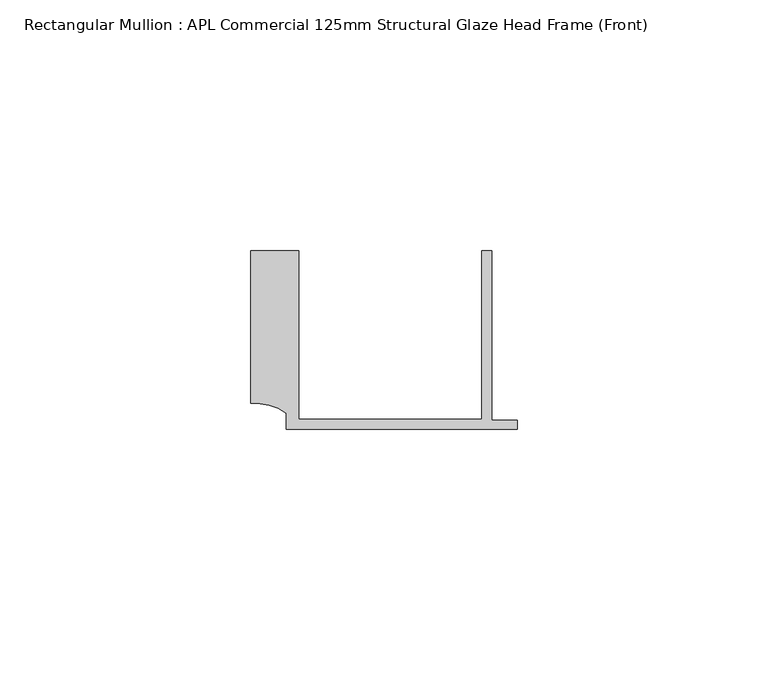
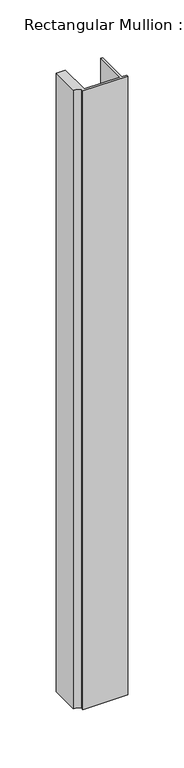
"""IFC4 building model written with IfcOpenShell, lengths in millimetres: member geometry, Rectangular Mullion : APL Commercial 125mm Structural Glaze Head Frame (Front)."""

import ifcopenshell
import ifcopenshell.guid

model = None  # the IFC model being written
_history = None  # IfcOwnerHistory: only IFC2X3 demands one
_inside = {}  # id of a spatial element -> (the spatial element, [elements in it])
_under = {}  # id of a project, library or spatial element -> (it, [spatial elements below it])
_declared = {}  # id of a project -> (the project, [libraries it declares])
_typed = {}  # id of a type object -> (the type object, [elements of that type])
_made_of = {}  # id of a material, layer set ... -> (it, [elements and type objects made of it])


def new_model(schema):
    """Start an empty IFC model of exactly this schema.

    Asked for "IFC4X3", IfcOpenShell would pick the latest addendum, in which some entities
    have other attributes; the version numbers below select the first issue.
    IFC2X3 requires an IfcOwnerHistory on every rooted entity: one is made here for all.
    """
    global model, _history
    if schema == "IFC4X3":
        model = ifcopenshell.file(schema_version=(4, 3, 0, 0))
    else:
        model = ifcopenshell.file(schema=schema)
    _inside.clear()
    _under.clear()
    _declared.clear()
    _typed.clear()
    _made_of.clear()
    _history = None
    if model.schema == "IFC2X3":
        org = make("IfcOrganization", Name="unknown")
        user = make(
            "IfcPersonAndOrganization",
            ThePerson=make("IfcPerson", FamilyName="unknown"),
            TheOrganization=org,
        )
        app = make(
            "IfcApplication",
            ApplicationDeveloper=org,
            Version="unknown",
            ApplicationFullName="unknown",
            ApplicationIdentifier="unknown",
        )
        _history = make(
            "IfcOwnerHistory",
            OwningUser=user,
            OwningApplication=app,
            ChangeAction="ADDED",
            CreationDate=0,
        )
    return model


def make(cls, **values):
    """One entity of the class cls with the attributes given. An attribute that is None is left unset."""
    return model.create_entity(
        cls, **{name: value for name, value in values.items() if value is not None}
    )


def rooted(cls, **values):
    """An entity with a GlobalId (a new one), such as an element, a storey or a relation."""
    return make(cls, GlobalId=ifcopenshell.guid.new(), OwnerHistory=_history, **values)


def si_unit(unit_type, name, prefix=None):
    """IfcSIUnit, for example si_unit("LENGTHUNIT", "METRE", prefix="MILLI")."""
    return make("IfcSIUnit", UnitType=unit_type, Prefix=prefix, Name=name)


def assignment(units):
    """IfcUnitAssignment: the units of a project."""
    return None if units is None else make("IfcUnitAssignment", Units=units)


def point(xyz):
    """IfcCartesianPoint."""
    return None if xyz is None else make("IfcCartesianPoint", Coordinates=xyz)


def direction(xyz):
    """IfcDirection."""
    return None if xyz is None else make("IfcDirection", DirectionRatios=xyz)


def frame(location, z_axis=None, x_axis=None):
    """IfcAxis2Placement3D, a coordinate frame: its origin and axes. An axis left out is left unset."""
    return make(
        "IfcAxis2Placement3D",
        Location=point(location),
        Axis=direction(z_axis),
        RefDirection=direction(x_axis),
    )


def frame_2d(location, x_axis=None):
    """IfcAxis2Placement2D, a coordinate frame in the plane: its origin and x axis."""
    return make(
        "IfcAxis2Placement2D", Location=point(location), RefDirection=direction(x_axis)
    )


def origin():
    """The frame at (0, 0, 0) with its axes left unset."""
    return frame((0.0, 0.0, 0.0))


def place(relative_to, where):
    """IfcLocalPlacement: puts the frame where relative to a parent placement (None: the world)."""
    return make(
        "IfcLocalPlacement", PlacementRelTo=relative_to, RelativePlacement=where
    )


def context(
    kind, dimensions, precision=None, world=None, true_north=None, identifier=None
):
    """IfcGeometricRepresentationContext, for example the 3D "Model" context."""
    return make(
        "IfcGeometricRepresentationContext",
        ContextIdentifier=identifier,
        ContextType=kind,
        CoordinateSpaceDimension=dimensions,
        Precision=precision,
        WorldCoordinateSystem=world,
        TrueNorth=true_north,
    )


def project(units=None, contexts=None):
    """IfcProject with its units and contexts."""
    return rooted(
        "IfcProject",
        Name="project",
        RepresentationContexts=contexts,
        UnitsInContext=assignment(units),
    )


def spatial(cls, under=None, at=None, **own):
    """A site, building, storey or space (cls), placed at a placement, below another one or the project."""
    s = rooted(cls, ObjectPlacement=at, **own)
    if under is not None:
        _under.setdefault(under.id(), (under, []))[1].append(s)
    return s


def polyline(points):
    """IfcPolyline through the points."""
    return make("IfcPolyline", Points=[point(p) for p in points])


def circle_curve(where, radius):
    """IfcCircle in the frame where."""
    return make("IfcCircle", Position=where, Radius=radius)


def trimmed(basis, trim1, trim2, sense, master):
    """IfcTrimmedCurve: the piece of a basis curve between two trims."""
    return make(
        "IfcTrimmedCurve",
        BasisCurve=basis,
        Trim1=trim1,
        Trim2=trim2,
        SenseAgreement=sense,
        MasterRepresentation=master,
    )


def segment(curve, same_sense, transition):
    """IfcCompositeCurveSegment."""
    return make(
        "IfcCompositeCurveSegment",
        Transition=transition,
        SameSense=same_sense,
        ParentCurve=curve,
    )


def composite_curve(segments, self_intersect=None):
    """IfcCompositeCurve: segments joined end to end."""
    return make("IfcCompositeCurve", Segments=segments, SelfIntersect=self_intersect)


def outline(outer, holes=None, kind="AREA"):
    """IfcArbitraryClosedProfileDef: a profile drawn as a closed curve; with holes, ...WithVoids."""
    if holes is None:
        return make("IfcArbitraryClosedProfileDef", ProfileType=kind, OuterCurve=outer)
    return make(
        "IfcArbitraryProfileDefWithVoids",
        ProfileType=kind,
        OuterCurve=outer,
        InnerCurves=holes,
    )


def extrude(swept, where, along, depth):
    """IfcExtrudedAreaSolid: the profile swept, set in the frame where, extruded along a direction by depth."""
    return make(
        "IfcExtrudedAreaSolid",
        SweptArea=swept,
        Position=where,
        ExtrudedDirection=direction(along),
        Depth=depth,
    )


def shape(context_of_items, identifier, shape_type, items):
    """IfcShapeRepresentation: the items that make up one representation, for example the "Body"."""
    return make(
        "IfcShapeRepresentation",
        ContextOfItems=context_of_items,
        RepresentationIdentifier=identifier,
        RepresentationType=shape_type,
        Items=items,
    )


def source(mapping_origin, context_of_items, identifier, shape_type, items):
    """IfcRepresentationMap: a shape defined once, which mapped items show again and again."""
    return make(
        "IfcRepresentationMap",
        MappingOrigin=mapping_origin,
        MappedRepresentation=shape(context_of_items, identifier, shape_type, items),
    )


def transform(
    local_origin,
    x_axis=None,
    y_axis=None,
    z_axis=None,
    scale=None,
    scale2=None,
    scale3=None,
    uniform=True,
):
    """IfcCartesianTransformationOperator3D, or its non-uniform kind. x_axis, y_axis, z_axis: its Axis1, 2, 3."""
    if uniform:
        return make(
            "IfcCartesianTransformationOperator3D",
            Axis1=direction(x_axis),
            Axis2=direction(y_axis),
            LocalOrigin=point(local_origin),
            Scale=scale,
            Axis3=direction(z_axis),
        )
    return make(
        "IfcCartesianTransformationOperator3DnonUniform",
        Axis1=direction(x_axis),
        Axis2=direction(y_axis),
        LocalOrigin=point(local_origin),
        Scale=scale,
        Axis3=direction(z_axis),
        Scale2=scale2,
        Scale3=scale3,
    )


def mapped(mapping_source, mapping_target):
    """IfcMappedItem: shows the shape of a source again, moved by a transform."""
    return make(
        "IfcMappedItem", MappingSource=mapping_source, MappingTarget=mapping_target
    )


def made_of(thing, what):
    """Note that an element or type object is made of a material, layer set ...; save() writes the relation."""
    if what is not None:
        _made_of.setdefault(what.id(), (what, []))[1].append(thing)
    return thing


def element(
    cls,
    number,
    at=None,
    inside=None,
    cuts=None,
    type_object=None,
    material=None,
    context=None,
    identifier="Body",
    shape_type=None,
    held_by="IfcProductDefinitionShape",
    body=None,
    shapes=None,
    **own,
):
    """One element of the class cls, such as IfcWall. Its Tag is "e" and its number.

    at: its placement. inside: the storey or other place that contains it. cuts: it is an
    opening in that element (IfcRelVoidsElement). A single representation is given by context,
    identifier, shape_type and body (its items); several are given by shapes. held_by: the class
    of the entity that holds the representations. save() writes the other relations.
    """
    e = rooted(cls, Tag="e%d" % number, ObjectPlacement=at, **own)
    if body is not None:
        shapes = [shape(context, identifier, shape_type, body)]
    if shapes is not None:
        e.Representation = make(held_by, Representations=shapes)
    if inside is not None:
        _inside.setdefault(inside.id(), (inside, []))[1].append(e)
    if cuts is not None:
        rooted(
            "IfcRelVoidsElement", RelatingBuildingElement=cuts, RelatedOpeningElement=e
        )
    if type_object is not None:
        _typed.setdefault(type_object.id(), (type_object, []))[1].append(e)
    return made_of(e, material)


def aggregate(whole, parts):
    """IfcRelAggregates: a whole, such as a stair, and the parts it consists of."""
    return rooted("IfcRelAggregates", RelatingObject=whole, RelatedObjects=parts)


def save(model, path):
    """Write the relations noted so far, then the file.

    IfcRelAggregates (storeys below a building ...), IfcRelContainedInSpatialStructure (elements
    in a storey), IfcRelDefinesByType, IfcRelAssociatesMaterial and IfcRelDeclares: one each for
    every whole, place, type object, material and project.
    """
    for whole, parts in _under.values():
        aggregate(whole, parts)
    for where, things in _inside.values():
        rooted(
            "IfcRelContainedInSpatialStructure",
            RelatedElements=things,
            RelatingStructure=where,
        )
    for kind, things in _typed.values():
        rooted("IfcRelDefinesByType", RelatedObjects=things, RelatingType=kind)
    for what, things in _made_of.values():
        rooted("IfcRelAssociatesMaterial", RelatedObjects=things, RelatingMaterial=what)
    for by, libraries in _declared.values():
        rooted("IfcRelDeclares", RelatingContext=by, RelatedDefinitions=libraries)
    model.write(path)


def rectangular_mullion_apl_commercial_125mm_structural_glaze_13a57351(model_context):
    return source(origin(), model_context, "Body", "SweptSolid", [
        extrude(outline(composite_curve([segment(polyline([(-52.9999542, 15.0), (-43.5000151, 15.0), (-43.5000151, -18.5002486), (-7.0, -18.5002486), (-7.0, 15.0), (-5.0, 15.0), (-5.0, -18.7002486), (0.0, -18.7002486), (0.0, -20.5002486), (-45.9999994, -20.5002486), (-45.9999994, -17.3126154)]), True, "CONTINUOUS"), segment(trimmed(circle_curve(frame_2d((-52.109817, -25.7982641)), 10.4563907), [point((-45.9999994, -17.3126154))], [point((-52.9999542, -15.3798304))], True, "CARTESIAN"), True, "CONTINUOUS"), segment(polyline([(-52.9999542, -15.3798304), (-52.9999542, 15.0)]), True, "CONTINUOUS")], self_intersect=False)), frame((0.0, 0.0, -672.0251368), z_axis=(0.0, 0.0, 1.0), x_axis=(1.0, 0.0, 0.0)), (0.0, 0.0, 1.0), 672.0251368),
    ])


if __name__ == "__main__":
    model = new_model("IFC4")
    model_context = context("Model", 3, world=origin())
    ifc_project = project(units=[si_unit("LENGTHUNIT", "METRE", prefix="MILLI")], contexts=[model_context])
    site = spatial("IfcSite", under=ifc_project)
    building = spatial("IfcBuilding", under=site)
    placement = place(None, origin())
    rectangular_mullion_apl_commercial_125mm_structural_glaze_shape = rectangular_mullion_apl_commercial_125mm_structural_glaze_13a57351(model_context)
    element("IfcMember", 1, ObjectType="Rectangular Mullion : APL Commercial 125mm Structural Glaze Head Frame (Front)", at=placement, inside=building, context=model_context, shape_type="MappedRepresentation", body=[
        mapped(rectangular_mullion_apl_commercial_125mm_structural_glaze_shape, transform((0.0, 0.0, 0.0), x_axis=(1.0, 0.0, 0.0), y_axis=(0.0, 1.0, 0.0), z_axis=(0.0, 0.0, 1.0))),
    ])
    save(model, "model.ifc")
